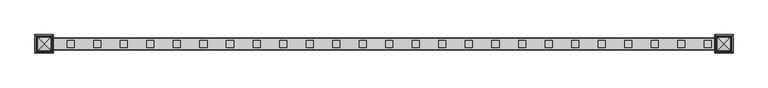
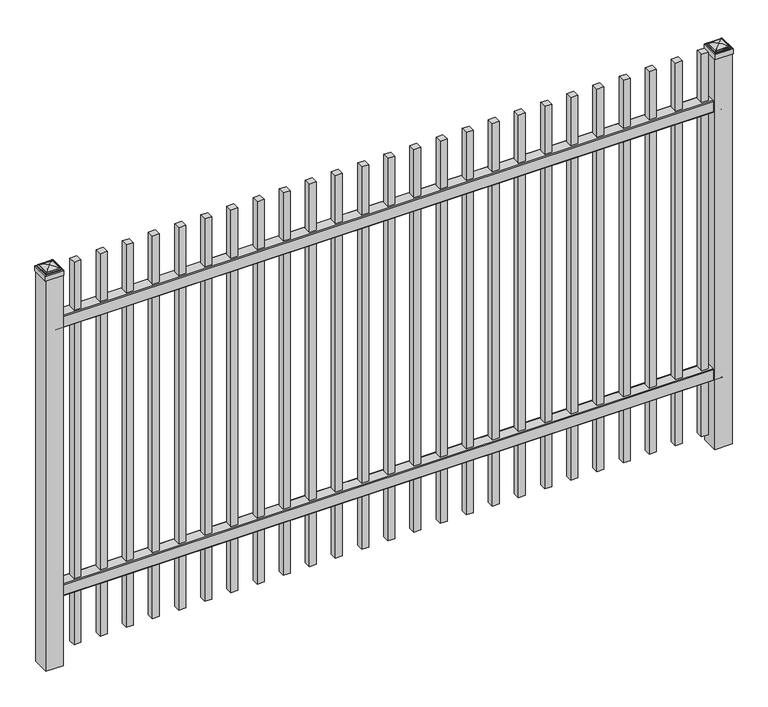
"""IFC4 building model written with IfcOpenShell, lengths in millimetres: railing geometry."""

from ifc_helpers import new_model, si_unit, point, frame, frame_2d, origin, origin_with_axes, place, context, project, spatial, polyline, circle_curve, ellipse_curve, trimmed, segment, composite_curve, outline, extrude, source, transform, mapped, element, save
from ifc_brep_helpers import plane_surface, cylinder_surface, advanced_brep


def railing_b64aecec(model_context):
    return source(origin(), model_context, "Body", "SolidModel", [
        extrude(outline(composite_curve([segment(polyline([(11873.9139761, 304.8), (11911.969541, 304.8)]), True, "CONTINUOUS"), segment(trimmed(circle_curve(frame_2d((11911.969541, 301.625)), 3.175), [point((11911.969541, 304.8))], [point((11915.144541, 301.625))], False, "CARTESIAN"), True, "CONTINUOUS"), segment(polyline([(11915.144541, 301.625), (11915.144541, 262.1439893)]), True, "CONTINUOUS"), segment(trimmed(circle_curve(frame_2d((11913.3505518, 262.1439893)), 1.7939893), [point((11915.144541, 262.1439893))], [point((11913.3505518, 260.35))], False, "CARTESIAN"), True, "CONTINUOUS"), segment(polyline([(11913.3505518, 260.35), (11910.7590713, 260.35)]), True, "CONTINUOUS"), segment(trimmed(circle_curve(frame_2d((11910.7590713, 262.1359375)), 1.7859375), [point((11910.7590713, 260.35))], [point((11908.9755813, 262.0424688))], False, "CARTESIAN"), True, "CONTINUOUS"), segment(polyline([(11908.9755813, 262.0424688), (11907.4025867, 292.0569942), (11878.4364954, 292.0569942), (11876.8635007, 262.0424688)]), True, "CONTINUOUS"), segment(trimmed(circle_curve(frame_2d((11875.0800108, 262.1359375)), 1.7859375), [point((11876.8635007, 262.0424688))], [point((11875.0800108, 260.35))], False, "CARTESIAN"), True, "CONTINUOUS"), segment(polyline([(11875.0800108, 260.35), (11872.4804785, 260.35)]), True, "CONTINUOUS"), segment(trimmed(circle_curve(frame_2d((11872.4804785, 262.1359375)), 1.7859375), [point((11872.4804785, 260.35))], [point((11870.694541, 262.1359375))], False, "CARTESIAN"), True, "CONTINUOUS"), segment(polyline([(11870.694541, 262.1359375), (11870.694541, 301.5805649)]), True, "CONTINUOUS"), segment(trimmed(circle_curve(frame_2d((11873.9139761, 301.5805649)), 3.2194351), [point((11870.694541, 301.5805649))], [point((11873.9139761, 304.8))], False, "CARTESIAN"), True, "CONTINUOUS")], self_intersect=False)), frame((2341.3350064, 0.0, 0.0), z_axis=(1.0, 0.0, 0.0), x_axis=(0.0, 1.0, 0.0)), (0.0, 0.0, 1.0), 2438.4),
        extrude(outline(composite_curve([segment(polyline([(11873.9139761, 1338.2625), (11911.969541, 1338.2625)]), True, "CONTINUOUS"), segment(trimmed(circle_curve(frame_2d((11911.969541, 1335.0875)), 3.175), [point((11911.969541, 1338.2625))], [point((11915.144541, 1335.0875))], False, "CARTESIAN"), True, "CONTINUOUS"), segment(polyline([(11915.144541, 1335.0875), (11915.144541, 1295.6064893)]), True, "CONTINUOUS"), segment(trimmed(circle_curve(frame_2d((11913.3505518, 1295.6064893)), 1.7939893), [point((11915.144541, 1295.6064893))], [point((11913.3505518, 1293.8125))], False, "CARTESIAN"), True, "CONTINUOUS"), segment(polyline([(11913.3505518, 1293.8125), (11910.7590713, 1293.8125)]), True, "CONTINUOUS"), segment(trimmed(circle_curve(frame_2d((11910.7590713, 1295.5984375)), 1.7859375), [point((11910.7590713, 1293.8125))], [point((11908.9755813, 1295.5049688))], False, "CARTESIAN"), True, "CONTINUOUS"), segment(polyline([(11908.9755813, 1295.5049688), (11907.4025867, 1325.5194942), (11878.4364954, 1325.5194942), (11876.8635007, 1295.5049688)]), True, "CONTINUOUS"), segment(trimmed(circle_curve(frame_2d((11875.0800108, 1295.5984375)), 1.7859375), [point((11876.8635007, 1295.5049688))], [point((11875.0800108, 1293.8125))], False, "CARTESIAN"), True, "CONTINUOUS"), segment(polyline([(11875.0800108, 1293.8125), (11872.4804785, 1293.8125)]), True, "CONTINUOUS"), segment(trimmed(circle_curve(frame_2d((11872.4804785, 1295.5984375)), 1.7859375), [point((11872.4804785, 1293.8125))], [point((11870.694541, 1295.5984375))], False, "CARTESIAN"), True, "CONTINUOUS"), segment(polyline([(11870.694541, 1295.5984375), (11870.694541, 1335.0430649)]), True, "CONTINUOUS"), segment(trimmed(circle_curve(frame_2d((11873.9139761, 1335.0430649)), 3.2194351), [point((11870.694541, 1335.0430649))], [point((11873.9139761, 1338.2625))], False, "CARTESIAN"), True, "CONTINUOUS")], self_intersect=False)), frame((2341.3350064, 0.0, 0.0), z_axis=(1.0, 0.0, 0.0), x_axis=(0.0, 1.0, 0.0)), (0.0, 0.0, 1.0), 2438.4),
        extrude(outline(polyline([(4709.8850064, 11905.619541), (4735.2850064, 11905.619541), (4735.2850064, 11880.219541), (4709.8850064, 11880.219541), (4709.8850064, 11905.619541)])), frame((0.0, 0.0, 50.8), z_axis=(0.0, 0.0, 1.0), x_axis=(1.0, 0.0, 0.0)), (0.0, 0.0, 1.0), 1473.2),
        extrude(outline(polyline([(4614.6350064, 11905.619541), (4640.0350064, 11905.619541), (4640.0350064, 11880.219541), (4614.6350064, 11880.219541), (4614.6350064, 11905.619541)])), frame((0.0, 0.0, 50.8), z_axis=(0.0, 0.0, 1.0), x_axis=(1.0, 0.0, 0.0)), (0.0, 0.0, 1.0), 1473.2),
        extrude(outline(polyline([(4519.3850064, 11905.619541), (4544.7850064, 11905.619541), (4544.7850064, 11880.219541), (4519.3850064, 11880.219541), (4519.3850064, 11905.619541)])), frame((0.0, 0.0, 50.8), z_axis=(0.0, 0.0, 1.0), x_axis=(1.0, 0.0, 0.0)), (0.0, 0.0, 1.0), 1473.2),
        extrude(outline(polyline([(4424.1350064, 11905.619541), (4449.5350064, 11905.619541), (4449.5350064, 11880.219541), (4424.1350064, 11880.219541), (4424.1350064, 11905.619541)])), frame((0.0, 0.0, 50.8), z_axis=(0.0, 0.0, 1.0), x_axis=(1.0, 0.0, 0.0)), (0.0, 0.0, 1.0), 1473.2),
        extrude(outline(polyline([(4328.8850064, 11905.619541), (4354.2850064, 11905.619541), (4354.2850064, 11880.219541), (4328.8850064, 11880.219541), (4328.8850064, 11905.619541)])), frame((0.0, 0.0, 50.8), z_axis=(0.0, 0.0, 1.0), x_axis=(1.0, 0.0, 0.0)), (0.0, 0.0, 1.0), 1473.2),
        extrude(outline(polyline([(4233.6350064, 11905.619541), (4259.0350064, 11905.619541), (4259.0350064, 11880.219541), (4233.6350064, 11880.219541), (4233.6350064, 11905.619541)])), frame((0.0, 0.0, 50.8), z_axis=(0.0, 0.0, 1.0), x_axis=(1.0, 0.0, 0.0)), (0.0, 0.0, 1.0), 1473.2),
        extrude(outline(polyline([(4138.3850064, 11905.619541), (4163.7850064, 11905.619541), (4163.7850064, 11880.219541), (4138.3850064, 11880.219541), (4138.3850064, 11905.619541)])), frame((0.0, 0.0, 50.8), z_axis=(0.0, 0.0, 1.0), x_axis=(1.0, 0.0, 0.0)), (0.0, 0.0, 1.0), 1473.2),
        extrude(outline(polyline([(4043.1350064, 11905.619541), (4068.5350064, 11905.619541), (4068.5350064, 11880.219541), (4043.1350064, 11880.219541), (4043.1350064, 11905.619541)])), frame((0.0, 0.0, 50.8), z_axis=(0.0, 0.0, 1.0), x_axis=(1.0, 0.0, 0.0)), (0.0, 0.0, 1.0), 1473.2),
        extrude(outline(polyline([(3947.8850064, 11905.619541), (3973.2850064, 11905.619541), (3973.2850064, 11880.219541), (3947.8850064, 11880.219541), (3947.8850064, 11905.619541)])), frame((0.0, 0.0, 50.8), z_axis=(0.0, 0.0, 1.0), x_axis=(1.0, 0.0, 0.0)), (0.0, 0.0, 1.0), 1473.2),
        extrude(outline(polyline([(3852.6350064, 11905.619541), (3878.0350064, 11905.619541), (3878.0350064, 11880.219541), (3852.6350064, 11880.219541), (3852.6350064, 11905.619541)])), frame((0.0, 0.0, 50.8), z_axis=(0.0, 0.0, 1.0), x_axis=(1.0, 0.0, 0.0)), (0.0, 0.0, 1.0), 1473.2),
        extrude(outline(polyline([(3757.3850064, 11905.619541), (3782.7850064, 11905.619541), (3782.7850064, 11880.219541), (3757.3850064, 11880.219541), (3757.3850064, 11905.619541)])), frame((0.0, 0.0, 50.8), z_axis=(0.0, 0.0, 1.0), x_axis=(1.0, 0.0, 0.0)), (0.0, 0.0, 1.0), 1473.2),
        extrude(outline(polyline([(3662.1350064, 11905.619541), (3687.5350064, 11905.619541), (3687.5350064, 11880.219541), (3662.1350064, 11880.219541), (3662.1350064, 11905.619541)])), frame((0.0, 0.0, 50.8), z_axis=(0.0, 0.0, 1.0), x_axis=(1.0, 0.0, 0.0)), (0.0, 0.0, 1.0), 1473.2),
        extrude(outline(polyline([(3566.8850064, 11905.619541), (3592.2850064, 11905.619541), (3592.2850064, 11880.219541), (3566.8850064, 11880.219541), (3566.8850064, 11905.619541)])), frame((0.0, 0.0, 50.8), z_axis=(0.0, 0.0, 1.0), x_axis=(1.0, 0.0, 0.0)), (0.0, 0.0, 1.0), 1473.2),
        extrude(outline(polyline([(3471.6350064, 11905.619541), (3497.0350064, 11905.619541), (3497.0350064, 11880.219541), (3471.6350064, 11880.219541), (3471.6350064, 11905.619541)])), frame((0.0, 0.0, 50.8), z_axis=(0.0, 0.0, 1.0), x_axis=(1.0, 0.0, 0.0)), (0.0, 0.0, 1.0), 1473.2),
        extrude(outline(polyline([(3376.3850064, 11905.619541), (3401.7850064, 11905.619541), (3401.7850064, 11880.219541), (3376.3850064, 11880.219541), (3376.3850064, 11905.619541)])), frame((0.0, 0.0, 50.8), z_axis=(0.0, 0.0, 1.0), x_axis=(1.0, 0.0, 0.0)), (0.0, 0.0, 1.0), 1473.2),
        extrude(outline(polyline([(3281.1350064, 11905.619541), (3306.5350064, 11905.619541), (3306.5350064, 11880.219541), (3281.1350064, 11880.219541), (3281.1350064, 11905.619541)])), frame((0.0, 0.0, 50.8), z_axis=(0.0, 0.0, 1.0), x_axis=(1.0, 0.0, 0.0)), (0.0, 0.0, 1.0), 1473.2),
        extrude(outline(polyline([(3185.8850064, 11905.619541), (3211.2850064, 11905.619541), (3211.2850064, 11880.219541), (3185.8850064, 11880.219541), (3185.8850064, 11905.619541)])), frame((0.0, 0.0, 50.8), z_axis=(0.0, 0.0, 1.0), x_axis=(1.0, 0.0, 0.0)), (0.0, 0.0, 1.0), 1473.2),
        extrude(outline(polyline([(3090.6350064, 11905.619541), (3116.0350064, 11905.619541), (3116.0350064, 11880.219541), (3090.6350064, 11880.219541), (3090.6350064, 11905.619541)])), frame((0.0, 0.0, 50.8), z_axis=(0.0, 0.0, 1.0), x_axis=(1.0, 0.0, 0.0)), (0.0, 0.0, 1.0), 1473.2),
        extrude(outline(polyline([(2995.3850064, 11905.619541), (3020.7850064, 11905.619541), (3020.7850064, 11880.219541), (2995.3850064, 11880.219541), (2995.3850064, 11905.619541)])), frame((0.0, 0.0, 50.8), z_axis=(0.0, 0.0, 1.0), x_axis=(1.0, 0.0, 0.0)), (0.0, 0.0, 1.0), 1473.2),
        extrude(outline(polyline([(2900.1350064, 11905.619541), (2925.5350064, 11905.619541), (2925.5350064, 11880.219541), (2900.1350064, 11880.219541), (2900.1350064, 11905.619541)])), frame((0.0, 0.0, 50.8), z_axis=(0.0, 0.0, 1.0), x_axis=(1.0, 0.0, 0.0)), (0.0, 0.0, 1.0), 1473.2),
        extrude(outline(polyline([(2804.8850064, 11905.619541), (2830.2850064, 11905.619541), (2830.2850064, 11880.219541), (2804.8850064, 11880.219541), (2804.8850064, 11905.619541)])), frame((0.0, 0.0, 50.8), z_axis=(0.0, 0.0, 1.0), x_axis=(1.0, 0.0, 0.0)), (0.0, 0.0, 1.0), 1473.2),
        extrude(outline(polyline([(2709.6350064, 11905.619541), (2735.0350064, 11905.619541), (2735.0350064, 11880.219541), (2709.6350064, 11880.219541), (2709.6350064, 11905.619541)])), frame((0.0, 0.0, 50.8), z_axis=(0.0, 0.0, 1.0), x_axis=(1.0, 0.0, 0.0)), (0.0, 0.0, 1.0), 1473.2),
        extrude(outline(polyline([(2614.3850064, 11905.619541), (2639.7850064, 11905.619541), (2639.7850064, 11880.219541), (2614.3850064, 11880.219541), (2614.3850064, 11905.619541)])), frame((0.0, 0.0, 50.8), z_axis=(0.0, 0.0, 1.0), x_axis=(1.0, 0.0, 0.0)), (0.0, 0.0, 1.0), 1473.2),
        extrude(outline(polyline([(2519.1350064, 11905.619541), (2544.5350064, 11905.619541), (2544.5350064, 11880.219541), (2519.1350064, 11880.219541), (2519.1350064, 11905.619541)])), frame((0.0, 0.0, 50.8), z_axis=(0.0, 0.0, 1.0), x_axis=(1.0, 0.0, 0.0)), (0.0, 0.0, 1.0), 1473.2),
        extrude(outline(polyline([(2423.8850064, 11905.619541), (2449.2850064, 11905.619541), (2449.2850064, 11880.219541), (2423.8850064, 11880.219541), (2423.8850064, 11905.619541)])), frame((0.0, 0.0, 50.8), z_axis=(0.0, 0.0, 1.0), x_axis=(1.0, 0.0, 0.0)), (0.0, 0.0, 1.0), 1473.2),
        extrude(outline(polyline([(4811.4850064, 11924.669541), (4811.4850064, 11861.169541), (4747.9850064, 11861.169541), (4747.9850064, 11924.669541), (4811.4850064, 11924.669541)])), origin_with_axes(), (0.0, 0.0, 1.0), 1503.3625),
        advanced_brep(
        [(4746.3975064, 11926.257041, 1521.61875), (4746.3975064, 11926.257041, 1503.3625), (4746.3975064, 11859.582041, 1503.3625), (4746.3975064, 11859.582041, 1521.61875), (4748.7787564, 11923.875791, 1524.0), (4748.7787564, 11861.963291, 1524.0), (4751.1600064, 11921.494541, 1526.38125), (4751.1600064, 11921.494541, 1524.0), (4751.1600064, 11864.344541, 1524.0), (4751.1600064, 11864.344541, 1526.38125), (4753.5412564, 11919.113291, 1528.7625), (4753.5412564, 11866.725791, 1528.7625), (4779.7350064, 11892.919541, 1535.1125), (4755.9225064, 11916.732041, 1528.7625), (4755.9225064, 11869.107041, 1528.7625), (4813.0725064, 11859.582041, 1503.3625), (4813.0725064, 11859.582041, 1521.61875), (4810.6912564, 11861.963291, 1524.0), (4808.3100064, 11864.344541, 1524.0), (4808.3100064, 11864.344541, 1526.38125), (4805.9287564, 11866.725791, 1528.7625), (4803.5475064, 11869.107041, 1528.7625), (4813.0725064, 11926.257041, 1503.3625), (4813.0725064, 11926.257041, 1521.61875), (4810.6912564, 11923.875791, 1524.0), (4808.3100064, 11921.494541, 1524.0), (4808.3100064, 11921.494541, 1526.38125), (4805.9287564, 11919.113291, 1528.7625), (4803.5475064, 11916.732041, 1528.7625)],
        [
            (0, 1),
            (1, 2),
            (2, 3),
            (3, 0),
            (4, 0, ellipse_curve(frame((4748.7787564, 11923.875791, 1521.61875), z_axis=(-0.70710678118655, -0.7071067811865449, 0.0), x_axis=(-0.7071067811865448, 0.7071067811865501, 0.0)), 3.367596, 2.38125)),
            (3, 5, ellipse_curve(frame((4748.7787564, 11861.963291, 1521.61875), z_axis=(-0.7071067811865449, 0.70710678118655, 0.0), x_axis=(0.7071067811865499, 0.707106781186545, 0.0)), 3.367596, 2.38125)),
            (5, 4),
            (6, 7),
            (7, 8),
            (8, 9),
            (9, 6),
            (10, 6, ellipse_curve(frame((4753.5412564, 11919.113291, 1526.38125), z_axis=(-0.70710678118655, -0.7071067811865449, 0.0), x_axis=(-0.7071067811865448, 0.7071067811865501, 0.0)), 3.367596, 2.38125)),
            (9, 11, ellipse_curve(frame((4753.5412564, 11866.725791, 1526.38125), z_axis=(-0.7071067811865449, 0.70710678118655, 0.0), x_axis=(0.7071067811865499, 0.707106781186545, 0.0)), 3.367596, 2.38125)),
            (11, 10),
            (12, 13, ellipse_curve(frame((4779.7350064, 11892.919541, 1487.2890625), z_axis=(-0.70710678118655, -0.7071067811865449, 0.0), x_axis=(-0.7071067811865448, 0.7071067811865501, 0.0)), 67.6325539, 47.8234375)),
            (13, 14),
            (14, 12, ellipse_curve(frame((4779.7350064, 11892.919541, 1487.2890625), z_axis=(-0.7071067811865449, 0.70710678118655, 0.0), x_axis=(0.7071067811865499, 0.707106781186545, 0.0)), 67.6325539, 47.8234375)),
            (2, 15),
            (15, 16),
            (16, 3),
            (16, 17, ellipse_curve(frame((4810.6912564, 11861.963291, 1521.61875), z_axis=(-0.70710678118655, -0.707106781186545, 0.0), x_axis=(-0.707106781186545, 0.70710678118655, 0.0)), 3.367596, 2.38125)),
            (17, 5),
            (8, 18),
            (18, 19),
            (19, 9),
            (19, 20, ellipse_curve(frame((4805.9287564, 11866.725791, 1526.38125), z_axis=(-0.70710678118655, -0.707106781186545, 0.0), x_axis=(-0.707106781186545, 0.70710678118655, 0.0)), 3.367596, 2.38125)),
            (20, 11),
            (14, 21),
            (21, 12, ellipse_curve(frame((4779.7350064, 11892.919541, 1487.2890625), z_axis=(-0.70710678118655, -0.707106781186545, 0.0), x_axis=(-0.707106781186545, 0.70710678118655, 0.0)), 67.6325539, 47.8234375)),
            (15, 22),
            (22, 23),
            (23, 16),
            (23, 24, ellipse_curve(frame((4810.6912564, 11923.875791, 1521.61875), z_axis=(0.707106781186545, -0.7071067811865499, 0.0), x_axis=(-0.7071067811865497, -0.7071067811865452, 0.0)), 3.367596, 2.38125)),
            (24, 17),
            (18, 25),
            (25, 26),
            (26, 19),
            (26, 27, ellipse_curve(frame((4805.9287564, 11919.113291, 1526.38125), z_axis=(0.707106781186545, -0.7071067811865499, 0.0), x_axis=(-0.7071067811865497, -0.7071067811865452, 0.0)), 3.367596, 2.38125)),
            (27, 20),
            (21, 28),
            (28, 12, ellipse_curve(frame((4779.7350064, 11892.919541, 1487.2890625), z_axis=(0.707106781186545, -0.7071067811865499, 0.0), x_axis=(-0.7071067811865497, -0.7071067811865452, 0.0)), 67.6325539, 47.8234375)),
            (22, 1),
            (0, 23),
            (4, 24),
            (7, 25),
            (6, 26),
            (10, 27),
            (13, 28),
        ],
        [
            plane_surface(frame((4746.3975064, 11926.257041, 1503.3625), z_axis=(-1.0, 0.0, 0.0), x_axis=(0.0, -1.0, 0.0))),
            cylinder_surface(frame((4748.7787564, 11924.669541, 1521.61875), z_axis=(0.0, 1.0, 0.0), x_axis=(1.0, 0.0, 0.0)), 2.38125),
            plane_surface(frame((4751.1600064, 11921.494541, 1524.0), z_axis=(-1.0, 0.0, 0.0), x_axis=(0.0, -1.0, 0.0))),
            cylinder_surface(frame((4753.5412564, 11924.669541, 1526.38125), z_axis=(0.0, 1.0, 0.0), x_axis=(1.0, 0.0, 0.0)), 2.38125),
            cylinder_surface(frame((4779.7350064, 11924.669541, 1487.2890625), z_axis=(0.0, 1.0, 0.0), x_axis=(1.0, 0.0, 0.0)), 47.8234375),
            plane_surface(frame((4746.3975064, 11859.582041, 1503.3625), z_axis=(0.0, -1.0, 0.0), x_axis=(1.0, 0.0, 0.0))),
            cylinder_surface(frame((4747.9850064, 11861.963291, 1521.61875), z_axis=(-1.0, 0.0, 0.0), x_axis=(0.0, 1.0, 0.0)), 2.38125),
            plane_surface(frame((4751.1600064, 11864.344541, 1524.0), z_axis=(0.0, -1.0, 0.0), x_axis=(1.0, 0.0, 0.0))),
            cylinder_surface(frame((4747.9850064, 11866.725791, 1526.38125), z_axis=(-1.0, 0.0, 0.0), x_axis=(0.0, 1.0, 0.0)), 2.38125),
            cylinder_surface(frame((4747.9850064, 11892.919541, 1487.2890625), z_axis=(-1.0, 0.0, 0.0), x_axis=(0.0, 1.0, 0.0)), 47.8234375),
            plane_surface(frame((4813.0725064, 11859.582041, 1503.3625), z_axis=(1.0, 0.0, 0.0), x_axis=(0.0, 1.0, 0.0))),
            cylinder_surface(frame((4810.6912564, 11861.169541, 1521.61875), z_axis=(0.0, -1.0, 0.0), x_axis=(-1.0, 0.0, 0.0)), 2.38125),
            plane_surface(frame((4808.3100064, 11864.344541, 1524.0), z_axis=(1.0, 0.0, 0.0), x_axis=(0.0, 1.0, 0.0))),
            cylinder_surface(frame((4805.9287564, 11861.169541, 1526.38125), z_axis=(0.0, -1.0, 0.0), x_axis=(-1.0, 0.0, 0.0)), 2.38125),
            cylinder_surface(frame((4779.7350064, 11861.169541, 1487.2890625), z_axis=(0.0, -1.0, 0.0), x_axis=(-1.0, 0.0, 0.0)), 47.8234375),
            plane_surface(frame((4813.0725064, 11926.257041, 1503.3625), z_axis=(0.0, 1.0, 0.0), x_axis=(-1.0, 0.0, 0.0))),
            cylinder_surface(frame((4811.4850064, 11923.875791, 1521.61875), z_axis=(1.0, 0.0, 0.0), x_axis=(0.0, -1.0, 0.0)), 2.38125),
            plane_surface(frame((4810.6912564, 11923.875791, 1524.0), z_axis=(0.0, 0.0, 1.0), x_axis=(-1.0, 0.0, 0.0))),
            plane_surface(frame((4808.3100064, 11921.494541, 1524.0), z_axis=(0.0, 1.0, 0.0), x_axis=(-1.0, 0.0, 0.0))),
            cylinder_surface(frame((4811.4850064, 11919.113291, 1526.38125), z_axis=(1.0, 0.0, 0.0), x_axis=(0.0, -1.0, 0.0)), 2.38125),
            plane_surface(frame((4805.9287564, 11919.113291, 1528.7625), z_axis=(0.0, 0.0, 1.0), x_axis=(-1.0, 0.0, 0.0))),
            cylinder_surface(frame((4811.4850064, 11892.919541, 1487.2890625), z_axis=(1.0, 0.0, 0.0), x_axis=(0.0, -1.0, 0.0)), 47.8234375),
            plane_surface(frame((4779.7350064, 11892.919541, 1503.3625), z_axis=(0.0, 0.0, -1.0), x_axis=(-1.0, 0.0, 0.0))),
        ],
        [
            (0, [[1, 2, 3, 4]]),
            (1, [[5, -4, 6, 7]]),
            (2, [[8, 9, 10, 11]]),
            (3, [[12, -11, 13, 14]]),
            (4, [[15, 16, 17]]),
            (5, [[-3, 18, 19, 20]]),
            (6, [[-6, -20, 21, 22]]),
            (7, [[-10, 23, 24, 25]]),
            (8, [[-13, -25, 26, 27]]),
            (9, [[-17, 28, 29]]),
            (10, [[-19, 30, 31, 32]]),
            (11, [[-21, -32, 33, 34]]),
            (12, [[-24, 35, 36, 37]]),
            (13, [[-26, -37, 38, 39]]),
            (14, [[-29, 40, 41]]),
            (15, [[-31, 42, -1, 43]]),
            (16, [[-33, -43, -5, 44]]),
            (17, [[-22, -34, -44, -7], [45, -35, -23, -9]]),
            (18, [[-36, -45, -8, 46]]),
            (19, [[-38, -46, -12, 47]]),
            (20, [[-27, -39, -47, -14], [48, -40, -28, -16]]),
            (21, [[-41, -48, -15]]),
            (22, [[-42, -30, -18, -2]]),
        ],
    ),
        extrude(outline(polyline([(2373.0850064, 11924.669541), (2373.0850064, 11861.169541), (2309.5850064, 11861.169541), (2309.5850064, 11924.669541), (2373.0850064, 11924.669541)])), origin_with_axes(), (0.0, 0.0, 1.0), 1503.3625),
        advanced_brep(
        [(2307.9975064, 11926.257041, 1521.61875), (2307.9975064, 11926.257041, 1503.3625), (2307.9975064, 11859.582041, 1503.3625), (2307.9975064, 11859.582041, 1521.61875), (2310.3787564, 11923.875791, 1524.0), (2310.3787564, 11861.963291, 1524.0), (2312.7600064, 11921.494541, 1526.38125), (2312.7600064, 11921.494541, 1524.0), (2312.7600064, 11864.344541, 1524.0), (2312.7600064, 11864.344541, 1526.38125), (2315.1412564, 11919.113291, 1528.7625), (2315.1412564, 11866.725791, 1528.7625), (2341.3350064, 11892.919541, 1535.1125), (2317.5225064, 11916.732041, 1528.7625), (2317.5225064, 11869.107041, 1528.7625), (2374.6725064, 11859.582041, 1503.3625), (2374.6725064, 11859.582041, 1521.61875), (2372.2912564, 11861.963291, 1524.0), (2369.9100064, 11864.344541, 1524.0), (2369.9100064, 11864.344541, 1526.38125), (2367.5287564, 11866.725791, 1528.7625), (2365.1475064, 11869.107041, 1528.7625), (2374.6725064, 11926.257041, 1503.3625), (2374.6725064, 11926.257041, 1521.61875), (2372.2912564, 11923.875791, 1524.0), (2369.9100064, 11921.494541, 1524.0), (2369.9100064, 11921.494541, 1526.38125), (2367.5287564, 11919.113291, 1528.7625), (2365.1475064, 11916.732041, 1528.7625)],
        [
            (0, 1),
            (1, 2),
            (2, 3),
            (3, 0),
            (4, 0, ellipse_curve(frame((2310.3787564, 11923.875791, 1521.61875), z_axis=(-0.70710678118655, -0.7071067811865449, 0.0), x_axis=(-0.7071067811865448, 0.7071067811865501, 0.0)), 3.367596, 2.38125)),
            (3, 5, ellipse_curve(frame((2310.3787564, 11861.963291, 1521.61875), z_axis=(-0.7071067811865449, 0.70710678118655, 0.0), x_axis=(0.7071067811865499, 0.707106781186545, 0.0)), 3.367596, 2.38125)),
            (5, 4),
            (6, 7),
            (7, 8),
            (8, 9),
            (9, 6),
            (10, 6, ellipse_curve(frame((2315.1412564, 11919.113291, 1526.38125), z_axis=(-0.70710678118655, -0.7071067811865449, 0.0), x_axis=(-0.7071067811865448, 0.7071067811865501, 0.0)), 3.367596, 2.38125)),
            (9, 11, ellipse_curve(frame((2315.1412564, 11866.725791, 1526.38125), z_axis=(-0.7071067811865449, 0.70710678118655, 0.0), x_axis=(0.7071067811865499, 0.707106781186545, 0.0)), 3.367596, 2.38125)),
            (11, 10),
            (12, 13, ellipse_curve(frame((2341.3350064, 11892.919541, 1487.2890625), z_axis=(-0.70710678118655, -0.7071067811865449, 0.0), x_axis=(-0.7071067811865448, 0.7071067811865501, 0.0)), 67.6325539, 47.8234375)),
            (13, 14),
            (14, 12, ellipse_curve(frame((2341.3350064, 11892.919541, 1487.2890625), z_axis=(-0.7071067811865449, 0.70710678118655, 0.0), x_axis=(0.7071067811865499, 0.707106781186545, 0.0)), 67.6325539, 47.8234375)),
            (2, 15),
            (15, 16),
            (16, 3),
            (16, 17, ellipse_curve(frame((2372.2912564, 11861.963291, 1521.61875), z_axis=(-0.70710678118655, -0.707106781186545, 0.0), x_axis=(-0.707106781186545, 0.70710678118655, 0.0)), 3.367596, 2.38125)),
            (17, 5),
            (8, 18),
            (18, 19),
            (19, 9),
            (19, 20, ellipse_curve(frame((2367.5287564, 11866.725791, 1526.38125), z_axis=(-0.70710678118655, -0.707106781186545, 0.0), x_axis=(-0.707106781186545, 0.70710678118655, 0.0)), 3.367596, 2.38125)),
            (20, 11),
            (14, 21),
            (21, 12, ellipse_curve(frame((2341.3350064, 11892.919541, 1487.2890625), z_axis=(-0.70710678118655, -0.707106781186545, 0.0), x_axis=(-0.707106781186545, 0.70710678118655, 0.0)), 67.6325539, 47.8234375)),
            (15, 22),
            (22, 23),
            (23, 16),
            (23, 24, ellipse_curve(frame((2372.2912564, 11923.875791, 1521.61875), z_axis=(0.707106781186545, -0.7071067811865499, 0.0), x_axis=(-0.7071067811865497, -0.7071067811865452, 0.0)), 3.367596, 2.38125)),
            (24, 17),
            (18, 25),
            (25, 26),
            (26, 19),
            (26, 27, ellipse_curve(frame((2367.5287564, 11919.113291, 1526.38125), z_axis=(0.707106781186545, -0.7071067811865499, 0.0), x_axis=(-0.7071067811865497, -0.7071067811865452, 0.0)), 3.367596, 2.38125)),
            (27, 20),
            (21, 28),
            (28, 12, ellipse_curve(frame((2341.3350064, 11892.919541, 1487.2890625), z_axis=(0.707106781186545, -0.7071067811865499, 0.0), x_axis=(-0.7071067811865497, -0.7071067811865452, 0.0)), 67.6325539, 47.8234375)),
            (22, 1),
            (0, 23),
            (4, 24),
            (7, 25),
            (6, 26),
            (10, 27),
            (13, 28),
        ],
        [
            plane_surface(frame((2307.9975064, 11926.257041, 1503.3625), z_axis=(-1.0, 0.0, 0.0), x_axis=(0.0, -1.0, 0.0))),
            cylinder_surface(frame((2310.3787564, 11924.669541, 1521.61875), z_axis=(0.0, 1.0, 0.0), x_axis=(1.0, 0.0, 0.0)), 2.38125),
            plane_surface(frame((2312.7600064, 11921.494541, 1524.0), z_axis=(-1.0, 0.0, 0.0), x_axis=(0.0, -1.0, 0.0))),
            cylinder_surface(frame((2315.1412564, 11924.669541, 1526.38125), z_axis=(0.0, 1.0, 0.0), x_axis=(1.0, 0.0, 0.0)), 2.38125),
            cylinder_surface(frame((2341.3350064, 11924.669541, 1487.2890625), z_axis=(0.0, 1.0, 0.0), x_axis=(1.0, 0.0, 0.0)), 47.8234375),
            plane_surface(frame((2307.9975064, 11859.582041, 1503.3625), z_axis=(0.0, -1.0, 0.0), x_axis=(1.0, 0.0, 0.0))),
            cylinder_surface(frame((2309.5850064, 11861.963291, 1521.61875), z_axis=(-1.0, 0.0, 0.0), x_axis=(0.0, 1.0, 0.0)), 2.38125),
            plane_surface(frame((2312.7600064, 11864.344541, 1524.0), z_axis=(0.0, -1.0, 0.0), x_axis=(1.0, 0.0, 0.0))),
            cylinder_surface(frame((2309.5850064, 11866.725791, 1526.38125), z_axis=(-1.0, 0.0, 0.0), x_axis=(0.0, 1.0, 0.0)), 2.38125),
            cylinder_surface(frame((2309.5850064, 11892.919541, 1487.2890625), z_axis=(-1.0, 0.0, 0.0), x_axis=(0.0, 1.0, 0.0)), 47.8234375),
            plane_surface(frame((2374.6725064, 11859.582041, 1503.3625), z_axis=(1.0, 0.0, 0.0), x_axis=(0.0, 1.0, 0.0))),
            cylinder_surface(frame((2372.2912564, 11861.169541, 1521.61875), z_axis=(0.0, -1.0, 0.0), x_axis=(-1.0, 0.0, 0.0)), 2.38125),
            plane_surface(frame((2369.9100064, 11864.344541, 1524.0), z_axis=(1.0, 0.0, 0.0), x_axis=(0.0, 1.0, 0.0))),
            cylinder_surface(frame((2367.5287564, 11861.169541, 1526.38125), z_axis=(0.0, -1.0, 0.0), x_axis=(-1.0, 0.0, 0.0)), 2.38125),
            cylinder_surface(frame((2341.3350064, 11861.169541, 1487.2890625), z_axis=(0.0, -1.0, 0.0), x_axis=(-1.0, 0.0, 0.0)), 47.8234375),
            plane_surface(frame((2374.6725064, 11926.257041, 1503.3625), z_axis=(0.0, 1.0, 0.0), x_axis=(-1.0, 0.0, 0.0))),
            cylinder_surface(frame((2373.0850064, 11923.875791, 1521.61875), z_axis=(1.0, 0.0, 0.0), x_axis=(0.0, -1.0, 0.0)), 2.38125),
            plane_surface(frame((2372.2912564, 11923.875791, 1524.0), z_axis=(0.0, 0.0, 1.0), x_axis=(-1.0, 0.0, 0.0))),
            plane_surface(frame((2369.9100064, 11921.494541, 1524.0), z_axis=(0.0, 1.0, 0.0), x_axis=(-1.0, 0.0, 0.0))),
            cylinder_surface(frame((2373.0850064, 11919.113291, 1526.38125), z_axis=(1.0, 0.0, 0.0), x_axis=(0.0, -1.0, 0.0)), 2.38125),
            plane_surface(frame((2367.5287564, 11919.113291, 1528.7625), z_axis=(0.0, 0.0, 1.0), x_axis=(-1.0, 0.0, 0.0))),
            cylinder_surface(frame((2373.0850064, 11892.919541, 1487.2890625), z_axis=(1.0, 0.0, 0.0), x_axis=(0.0, -1.0, 0.0)), 47.8234375),
            plane_surface(frame((2341.3350064, 11892.919541, 1503.3625), z_axis=(0.0, 0.0, -1.0), x_axis=(-1.0, 0.0, 0.0))),
        ],
        [
            (0, [[1, 2, 3, 4]]),
            (1, [[5, -4, 6, 7]]),
            (2, [[8, 9, 10, 11]]),
            (3, [[12, -11, 13, 14]]),
            (4, [[15, 16, 17]]),
            (5, [[-3, 18, 19, 20]]),
            (6, [[-6, -20, 21, 22]]),
            (7, [[-10, 23, 24, 25]]),
            (8, [[-13, -25, 26, 27]]),
            (9, [[-17, 28, 29]]),
            (10, [[-19, 30, 31, 32]]),
            (11, [[-21, -32, 33, 34]]),
            (12, [[-24, 35, 36, 37]]),
            (13, [[-26, -37, 38, 39]]),
            (14, [[-29, 40, 41]]),
            (15, [[-31, 42, -1, 43]]),
            (16, [[-33, -43, -5, 44]]),
            (17, [[-22, -34, -44, -7], [45, -35, -23, -9]]),
            (18, [[-36, -45, -8, 46]]),
            (19, [[-38, -46, -12, 47]]),
            (20, [[-27, -39, -47, -14], [48, -40, -28, -16]]),
            (21, [[-41, -48, -15]]),
            (22, [[-42, -30, -18, -2]]),
        ],
    ),
    ])


if __name__ == "__main__":
    model = new_model("IFC4")
    model_context = context("Model", 3, world=origin())
    ifc_project = project(units=[si_unit("LENGTHUNIT", "METRE", prefix="MILLI")], contexts=[model_context])
    site = spatial("IfcSite", under=ifc_project)
    building = spatial("IfcBuilding", under=site)
    placement = place(None, origin())
    railing_shape = railing_b64aecec(model_context)
    element("IfcRailing", 1, at=placement, inside=building, context=model_context, shape_type="MappedRepresentation", body=[
        mapped(railing_shape, transform((0.0, 0.0, 0.0), x_axis=(1.0, 0.0, 0.0), y_axis=(0.0, 1.0, 0.0), z_axis=(0.0, 0.0, 1.0))),
    ])
    save(model, "model.ifc")
